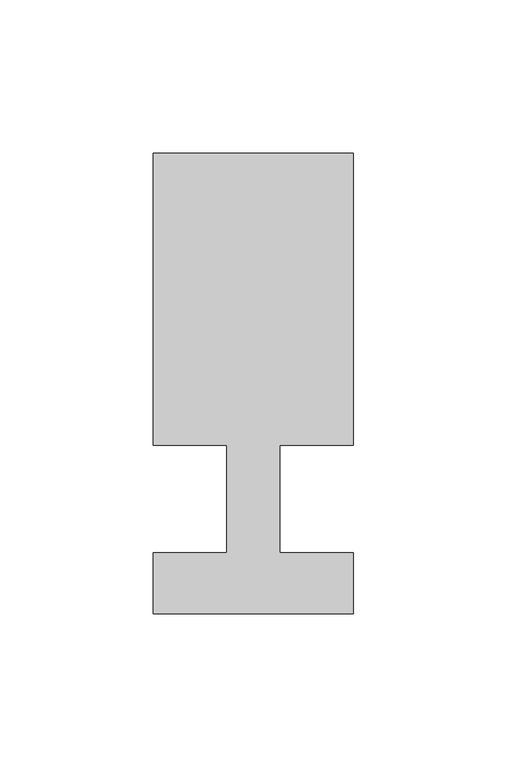
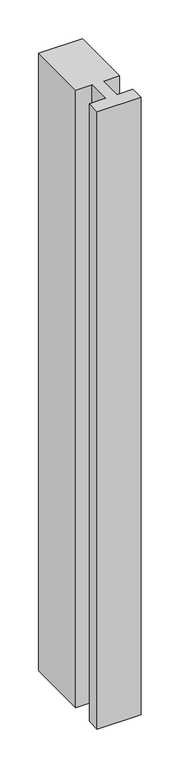
"""IFC4 building model written with IfcOpenShell, lengths in millimetres: member geometry."""

from ifc_helpers import new_model, si_unit, frame, origin, place, context, project, spatial, polyline, outline, extrude, source, transform, mapped, element, save


def member_623637cd(model_context):
    return source(origin(), model_context, "Body", "SweptSolid", [
        extrude(outline(polyline([(-65.0, -37.0), (-65.0, -17.0), (-41.1875, -17.0), (-41.1875, 18.0), (-65.0, 18.0), (-65.0, 113.0), (0.0, 113.0), (0.0, 18.0), (-23.8125, 18.0), (-23.8125, -17.0), (0.0, -17.0), (0.0, -37.0), (-65.0, -37.0)])), frame((0.0, 0.0, -967.5), z_axis=(0.0, 0.0, 1.0), x_axis=(1.0, 0.0, 0.0)), (0.0, 0.0, 1.0), 967.5),
    ])


if __name__ == "__main__":
    model = new_model("IFC4")
    model_context = context("Model", 3, world=origin())
    ifc_project = project(units=[si_unit("LENGTHUNIT", "METRE", prefix="MILLI")], contexts=[model_context])
    site = spatial("IfcSite", under=ifc_project)
    building = spatial("IfcBuilding", under=site)
    placement = place(None, origin())
    member_shape = member_623637cd(model_context)
    element("IfcMember", 1, at=placement, inside=building, context=model_context, shape_type="MappedRepresentation", body=[
        mapped(member_shape, transform((0.0, 0.0, 0.0), x_axis=(1.0, 0.0, 0.0), y_axis=(0.0, 1.0, 0.0), z_axis=(0.0, 0.0, 1.0))),
    ])
    save(model, "model.ifc")
